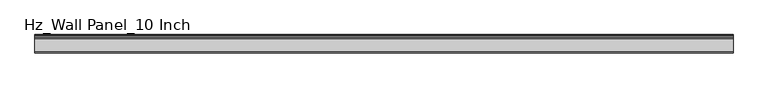
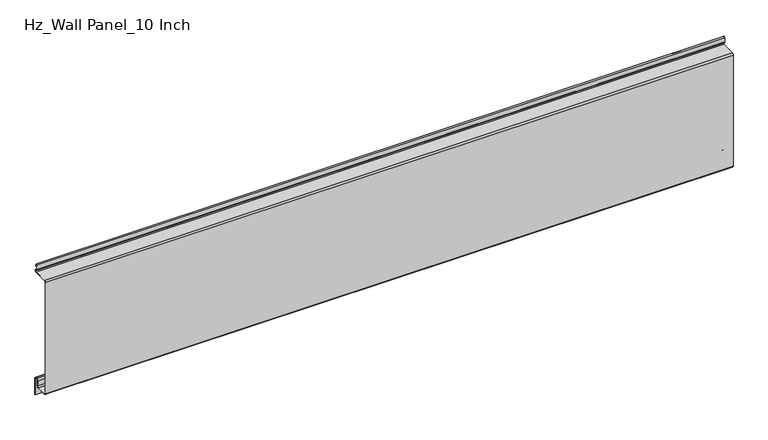
"""IFC4 building model written with IfcOpenShell, lengths in millimetres: plate geometry, Hz_Wall Panel_10 Inch."""

from ifc_helpers import new_model, si_unit, point, frame, frame_2d, origin, place, context, project, spatial, polyline, circle_curve, trimmed, segment, composite_curve, outline, extrude, source, transform, mapped, element, save


def hz_wall_panel_10_inch_d9f13ad1(model_context):
    return source(origin(), model_context, "Body", "SweptSolid", [
        extrude(outline(composite_curve([segment(trimmed(circle_curve(frame_2d((-34.7869903, 3.2130097)), 3.2130097), [point((-34.7869903, 0.0))], [point((-38.0, 3.2130097))], False, "CARTESIAN"), True, "CONTINUOUS"), segment(polyline([(-38.0, 3.2130097), (-38.0, 250.7869903)]), True, "CONTINUOUS"), segment(trimmed(circle_curve(frame_2d((-34.7869903, 250.7869903)), 3.2130097), [point((-38.0, 250.7869903))], [point((-34.7869903, 254.0))], False, "CARTESIAN"), True, "CONTINUOUS"), segment(polyline([(-34.7869903, 254.0), (-4.387915, 254.0)]), True, "CONTINUOUS"), segment(trimmed(circle_curve(frame_2d((-4.3717541, 256.2100252)), 2.2100843), [point((-4.387915, 254.0))], [point((-4.3555933, 258.4200505))], True, "CARTESIAN"), True, "CONTINUOUS"), segment(polyline([(-4.3555933, 258.4200505), (-5.4614945, 258.4563822)]), True, "CONTINUOUS"), segment(trimmed(circle_curve(frame_2d((-5.0208477, 260.8548061)), 2.4385665), [point((-5.4614945, 258.4563822))], [point((-7.4594143, 260.8548061))], False, "CARTESIAN"), True, "CONTINUOUS"), segment(polyline([(-7.4594143, 260.8548061), (-7.4594143, 270.9432488)]), True, "CONTINUOUS"), segment(trimmed(circle_curve(frame_2d((-5.8119214, 270.9387394)), 1.647499), [point((-7.4594143, 270.9432488))], [point((-4.3324658, 271.6636284))], False, "CARTESIAN"), True, "CONTINUOUS"), segment(polyline([(-4.3324658, 271.6636284), (-2.5959483, 267.2703593), (-3.321841, 266.9834374), (-5.0451822, 271.3433712)]), True, "CONTINUOUS"), segment(trimmed(circle_curve(frame_2d((-5.8119214, 270.9387394)), 0.8669579), [point((-5.0451822, 271.3433712))], [point((-6.6788731, 270.9420106))], True, "CARTESIAN"), True, "CONTINUOUS"), segment(polyline([(-6.6788731, 270.9420106), (-6.6788731, 260.8548061)]), True, "CONTINUOUS"), segment(trimmed(circle_curve(frame_2d((-5.0208477, 260.8548061)), 1.6580254), [point((-6.6788731, 260.8548061))], [point((-5.3720644, 259.2344064))], True, "CARTESIAN"), True, "CONTINUOUS"), segment(polyline([(-5.3720644, 259.2344064), (-4.3391708, 259.2004732)]), True, "CONTINUOUS"), segment(trimmed(circle_curve(frame_2d((-4.3717541, 256.2100252)), 2.9906254), [point((-4.3391708, 259.2004732))], [point((-4.3905535, 253.2194589))], False, "CARTESIAN"), True, "CONTINUOUS"), segment(polyline([(-4.3905535, 253.2194589), (-34.7869903, 253.2194589)]), True, "CONTINUOUS"), segment(trimmed(circle_curve(frame_2d((-34.7869903, 250.7869903)), 2.4324686), [point((-34.7869903, 253.2194589))], [point((-37.2194589, 250.7869903))], True, "CARTESIAN"), True, "CONTINUOUS"), segment(polyline([(-37.2194589, 250.7869903), (-37.2194589, 3.2130097)]), True, "CONTINUOUS"), segment(trimmed(circle_curve(frame_2d((-34.7869903, 3.2130097)), 2.4324686), [point((-37.2194589, 3.2130097))], [point((-34.7869903, 0.7805411))], True, "CARTESIAN"), True, "CONTINUOUS"), segment(polyline([(-34.7869903, 0.7805411), (-12.0917985, 0.7805411)]), True, "CONTINUOUS"), segment(trimmed(circle_curve(frame_2d((-12.0917985, 3.0977725)), 2.3172314), [point((-12.0917985, 0.7805411))], [point((-9.774567, 3.0977725))], True, "CARTESIAN"), True, "CONTINUOUS"), segment(polyline([(-9.774567, 3.0977725), (-9.774567, 14.3495019)]), True, "CONTINUOUS"), segment(trimmed(circle_curve(frame_2d((-5.8962534, 14.3495019)), 3.8783136), [point((-9.774567, 14.3495019))], [point((-5.8962534, 18.2278156))], False, "CARTESIAN"), True, "CONTINUOUS"), segment(polyline([(-5.8962534, 18.2278156), (-3.8033983, 18.2278156)]), True, "CONTINUOUS"), segment(trimmed(circle_curve(frame_2d((-3.8033983, 14.3495019)), 3.8783136), [point((-3.8033983, 18.2278156))], [point((0.0749154, 14.3495019))], False, "CARTESIAN"), True, "CONTINUOUS"), segment(polyline([(0.0749154, 14.3495019), (0.0749154, -21.9340882), (-0.7056258, -21.9340882), (-0.7056258, 14.3495019)]), True, "CONTINUOUS"), segment(trimmed(circle_curve(frame_2d((-3.8033983, 14.3495019)), 3.0977725), [point((-0.7056258, 14.3495019))], [point((-3.8033983, 17.4472744))], True, "CARTESIAN"), True, "CONTINUOUS"), segment(polyline([(-3.8033983, 17.4472744), (-5.8962534, 17.4472744)]), True, "CONTINUOUS"), segment(trimmed(circle_curve(frame_2d((-5.8962534, 14.3495019)), 3.0977725), [point((-5.8962534, 17.4472744))], [point((-8.9940259, 14.3495019))], True, "CARTESIAN"), True, "CONTINUOUS"), segment(polyline([(-8.9940259, 14.3495019), (-8.9940259, 3.0977725)]), True, "CONTINUOUS"), segment(trimmed(circle_curve(frame_2d((-12.0917985, 3.0977725)), 3.0977725), [point((-8.9940259, 3.0977725))], [point((-12.0917985, 0.0))], False, "CARTESIAN"), True, "CONTINUOUS"), segment(polyline([(-12.0917985, 0.0), (-34.7869903, 0.0)]), True, "CONTINUOUS")], self_intersect=False)), frame((-723.9042608, 0.0, 0.0), z_axis=(1.0, 0.0, 0.0), x_axis=(0.0, 1.0, 0.0)), (0.0, 0.0, 1.0), 1447.8085217),
    ])


if __name__ == "__main__":
    model = new_model("IFC4")
    model_context = context("Model", 3, world=origin())
    ifc_project = project(units=[si_unit("LENGTHUNIT", "METRE", prefix="MILLI")], contexts=[model_context])
    site = spatial("IfcSite", under=ifc_project)
    building = spatial("IfcBuilding", under=site)
    placement = place(None, origin())
    hz_wall_panel_10_inch_shape = hz_wall_panel_10_inch_d9f13ad1(model_context)
    element("IfcPlate", 1, ObjectType="Hz_Wall Panel_10 Inch", at=placement, inside=building, context=model_context, shape_type="MappedRepresentation", body=[
        mapped(hz_wall_panel_10_inch_shape, transform((0.0, 0.0, 0.0), x_axis=(1.0, 0.0, 0.0), y_axis=(0.0, 1.0, 0.0), z_axis=(0.0, 0.0, 1.0))),
    ])
    save(model, "model.ifc")
